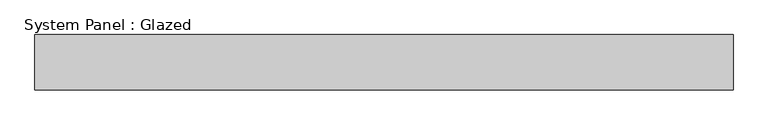
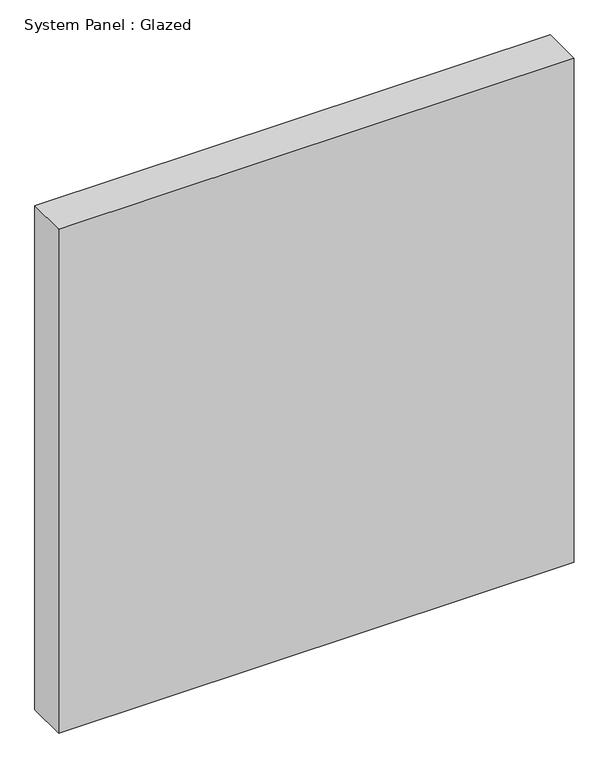
"""IFC4 building model written with IfcOpenShell, lengths in millimetres: plate geometry, System Panel : Glazed."""

from ifc_helpers import new_model, si_unit, origin, origin_with_axes, place, context, project, spatial, polyline, outline, extrude, source, transform, mapped, element, save


def system_panel_glazed_70c5fca4(model_context):
    return source(origin(), model_context, "Body", "SweptSolid", [
        extrude(outline(polyline([(629.1666667, -150.0), (-629.1666667, -150.0), (-629.1666667, -50.0), (629.1666667, -50.0), (629.1666667, -150.0)])), origin_with_axes(), (0.0, 0.0, 1.0), 1300.0),
    ])


if __name__ == "__main__":
    model = new_model("IFC4")
    model_context = context("Model", 3, world=origin())
    ifc_project = project(units=[si_unit("LENGTHUNIT", "METRE", prefix="MILLI")], contexts=[model_context])
    site = spatial("IfcSite", under=ifc_project)
    building = spatial("IfcBuilding", under=site)
    placement = place(None, origin())
    system_panel_glazed_shape = system_panel_glazed_70c5fca4(model_context)
    element("IfcPlate", 1, ObjectType="System Panel : Glazed", at=placement, inside=building, context=model_context, shape_type="MappedRepresentation", body=[
        mapped(system_panel_glazed_shape, transform((0.0, 0.0, 0.0), x_axis=(1.0, 0.0, 0.0), y_axis=(0.0, 1.0, 0.0), z_axis=(0.0, 0.0, 1.0))),
    ])
    save(model, "model.ifc")
